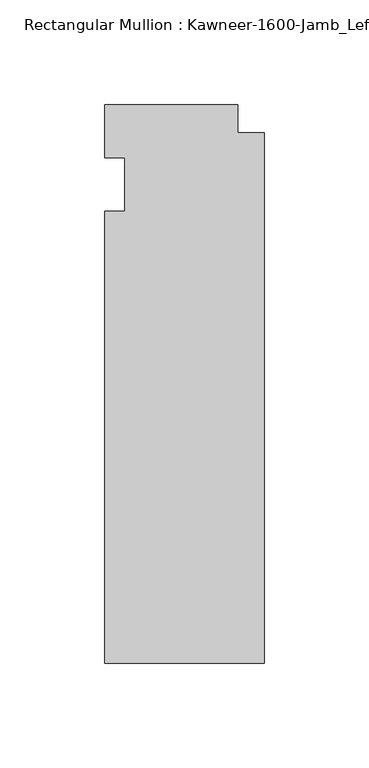
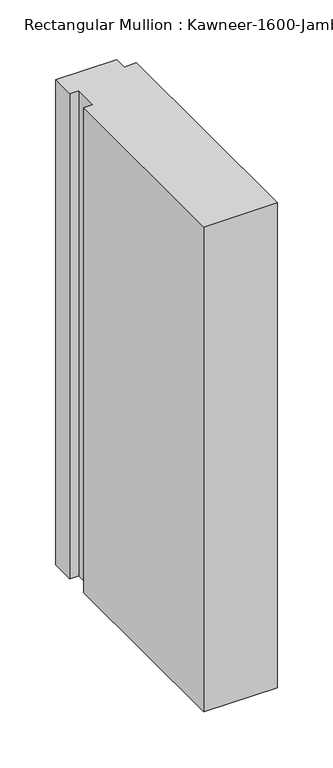
"""IFC4 building model written with IfcOpenShell, lengths in millimetres: member geometry."""

from ifc_helpers import new_model, si_unit, frame, origin, place, context, project, spatial, polyline, outline, extrude, source, transform, mapped, element, save


def member_b579e699(model_context):
    return source(origin(), model_context, "Body", "SweptSolid", [
        extrude(outline(polyline([(-76.2, -12.7), (-66.675, -12.7), (-66.675, 12.7), (-76.2, 12.7), (-76.2, 38.1), (-12.7, 38.1), (-12.7, 24.60625), (0.0, 24.60625), (0.0, -228.6), (-76.2, -228.6), (-76.2, -12.7)])), frame((0.0, 0.0, -533.4), z_axis=(0.0, 0.0, 1.0), x_axis=(1.0, 0.0, 0.0)), (0.0, 0.0, 1.0), 533.4),
    ])


if __name__ == "__main__":
    model = new_model("IFC4")
    model_context = context("Model", 3, world=origin())
    ifc_project = project(units=[si_unit("LENGTHUNIT", "METRE", prefix="MILLI")], contexts=[model_context])
    site = spatial("IfcSite", under=ifc_project)
    building = spatial("IfcBuilding", under=site)
    placement = place(None, origin())
    member_shape = member_b579e699(model_context)
    element("IfcMember", 1, ObjectType="Rectangular Mullion : Kawneer-1600-Jamb_Left-System1-10_1/2\"-1\"Infill", at=placement, inside=building, context=model_context, shape_type="MappedRepresentation", body=[
        mapped(member_shape, transform((0.0, 0.0, 0.0), x_axis=(1.0, 0.0, 0.0), y_axis=(0.0, 1.0, 0.0), z_axis=(0.0, 0.0, 1.0))),
    ])
    save(model, "model.ifc")
